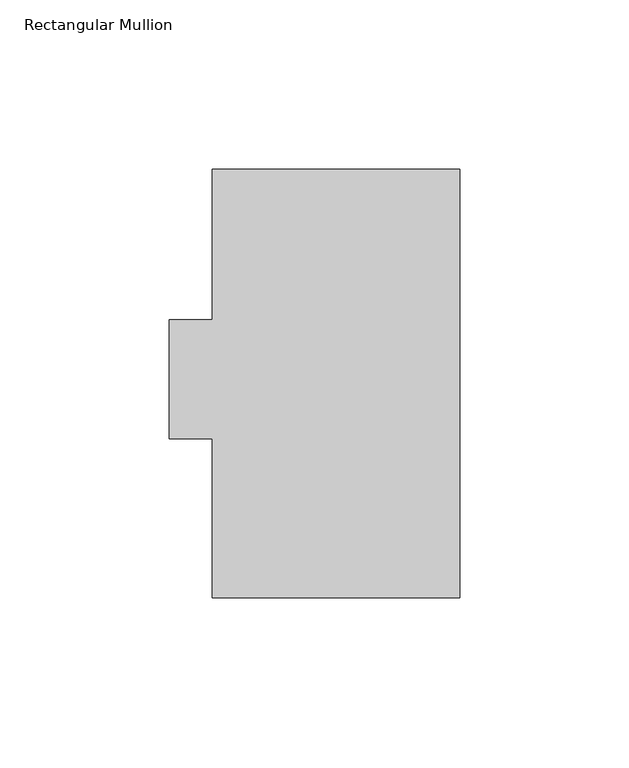
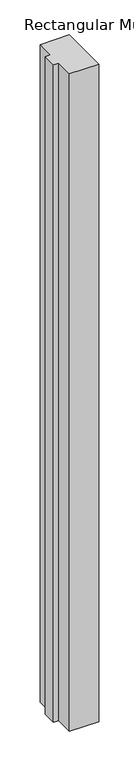
"""IFC4 building model written with IfcOpenShell, lengths in millimetres: member geometry, Rectangular Mullion."""

import ifcopenshell
import ifcopenshell.guid

model = None  # the IFC model being written
_history = None  # IfcOwnerHistory: only IFC2X3 demands one
_inside = {}  # id of a spatial element -> (the spatial element, [elements in it])
_under = {}  # id of a project, library or spatial element -> (it, [spatial elements below it])
_declared = {}  # id of a project -> (the project, [libraries it declares])
_typed = {}  # id of a type object -> (the type object, [elements of that type])
_made_of = {}  # id of a material, layer set ... -> (it, [elements and type objects made of it])


def new_model(schema):
    """Start an empty IFC model of exactly this schema.

    Asked for "IFC4X3", IfcOpenShell would pick the latest addendum, in which some entities
    have other attributes; the version numbers below select the first issue.
    IFC2X3 requires an IfcOwnerHistory on every rooted entity: one is made here for all.
    """
    global model, _history
    if schema == "IFC4X3":
        model = ifcopenshell.file(schema_version=(4, 3, 0, 0))
    else:
        model = ifcopenshell.file(schema=schema)
    _inside.clear()
    _under.clear()
    _declared.clear()
    _typed.clear()
    _made_of.clear()
    _history = None
    if model.schema == "IFC2X3":
        org = make("IfcOrganization", Name="unknown")
        user = make(
            "IfcPersonAndOrganization",
            ThePerson=make("IfcPerson", FamilyName="unknown"),
            TheOrganization=org,
        )
        app = make(
            "IfcApplication",
            ApplicationDeveloper=org,
            Version="unknown",
            ApplicationFullName="unknown",
            ApplicationIdentifier="unknown",
        )
        _history = make(
            "IfcOwnerHistory",
            OwningUser=user,
            OwningApplication=app,
            ChangeAction="ADDED",
            CreationDate=0,
        )
    return model


def make(cls, **values):
    """One entity of the class cls with the attributes given. An attribute that is None is left unset."""
    return model.create_entity(
        cls, **{name: value for name, value in values.items() if value is not None}
    )


def rooted(cls, **values):
    """An entity with a GlobalId (a new one), such as an element, a storey or a relation."""
    return make(cls, GlobalId=ifcopenshell.guid.new(), OwnerHistory=_history, **values)


def si_unit(unit_type, name, prefix=None):
    """IfcSIUnit, for example si_unit("LENGTHUNIT", "METRE", prefix="MILLI")."""
    return make("IfcSIUnit", UnitType=unit_type, Prefix=prefix, Name=name)


def assignment(units):
    """IfcUnitAssignment: the units of a project."""
    return None if units is None else make("IfcUnitAssignment", Units=units)


def point(xyz):
    """IfcCartesianPoint."""
    return None if xyz is None else make("IfcCartesianPoint", Coordinates=xyz)


def direction(xyz):
    """IfcDirection."""
    return None if xyz is None else make("IfcDirection", DirectionRatios=xyz)


def frame(location, z_axis=None, x_axis=None):
    """IfcAxis2Placement3D, a coordinate frame: its origin and axes. An axis left out is left unset."""
    return make(
        "IfcAxis2Placement3D",
        Location=point(location),
        Axis=direction(z_axis),
        RefDirection=direction(x_axis),
    )


def origin():
    """The frame at (0, 0, 0) with its axes left unset."""
    return frame((0.0, 0.0, 0.0))


def place(relative_to, where):
    """IfcLocalPlacement: puts the frame where relative to a parent placement (None: the world)."""
    return make(
        "IfcLocalPlacement", PlacementRelTo=relative_to, RelativePlacement=where
    )


def context(
    kind, dimensions, precision=None, world=None, true_north=None, identifier=None
):
    """IfcGeometricRepresentationContext, for example the 3D "Model" context."""
    return make(
        "IfcGeometricRepresentationContext",
        ContextIdentifier=identifier,
        ContextType=kind,
        CoordinateSpaceDimension=dimensions,
        Precision=precision,
        WorldCoordinateSystem=world,
        TrueNorth=true_north,
    )


def project(units=None, contexts=None):
    """IfcProject with its units and contexts."""
    return rooted(
        "IfcProject",
        Name="project",
        RepresentationContexts=contexts,
        UnitsInContext=assignment(units),
    )


def spatial(cls, under=None, at=None, **own):
    """A site, building, storey or space (cls), placed at a placement, below another one or the project."""
    s = rooted(cls, ObjectPlacement=at, **own)
    if under is not None:
        _under.setdefault(under.id(), (under, []))[1].append(s)
    return s


def polyline(points):
    """IfcPolyline through the points."""
    return make("IfcPolyline", Points=[point(p) for p in points])


def outline(outer, holes=None, kind="AREA"):
    """IfcArbitraryClosedProfileDef: a profile drawn as a closed curve; with holes, ...WithVoids."""
    if holes is None:
        return make("IfcArbitraryClosedProfileDef", ProfileType=kind, OuterCurve=outer)
    return make(
        "IfcArbitraryProfileDefWithVoids",
        ProfileType=kind,
        OuterCurve=outer,
        InnerCurves=holes,
    )


def extrude(swept, where, along, depth):
    """IfcExtrudedAreaSolid: the profile swept, set in the frame where, extruded along a direction by depth."""
    return make(
        "IfcExtrudedAreaSolid",
        SweptArea=swept,
        Position=where,
        ExtrudedDirection=direction(along),
        Depth=depth,
    )


def shape(context_of_items, identifier, shape_type, items):
    """IfcShapeRepresentation: the items that make up one representation, for example the "Body"."""
    return make(
        "IfcShapeRepresentation",
        ContextOfItems=context_of_items,
        RepresentationIdentifier=identifier,
        RepresentationType=shape_type,
        Items=items,
    )


def source(mapping_origin, context_of_items, identifier, shape_type, items):
    """IfcRepresentationMap: a shape defined once, which mapped items show again and again."""
    return make(
        "IfcRepresentationMap",
        MappingOrigin=mapping_origin,
        MappedRepresentation=shape(context_of_items, identifier, shape_type, items),
    )


def transform(
    local_origin,
    x_axis=None,
    y_axis=None,
    z_axis=None,
    scale=None,
    scale2=None,
    scale3=None,
    uniform=True,
):
    """IfcCartesianTransformationOperator3D, or its non-uniform kind. x_axis, y_axis, z_axis: its Axis1, 2, 3."""
    if uniform:
        return make(
            "IfcCartesianTransformationOperator3D",
            Axis1=direction(x_axis),
            Axis2=direction(y_axis),
            LocalOrigin=point(local_origin),
            Scale=scale,
            Axis3=direction(z_axis),
        )
    return make(
        "IfcCartesianTransformationOperator3DnonUniform",
        Axis1=direction(x_axis),
        Axis2=direction(y_axis),
        LocalOrigin=point(local_origin),
        Scale=scale,
        Axis3=direction(z_axis),
        Scale2=scale2,
        Scale3=scale3,
    )


def mapped(mapping_source, mapping_target):
    """IfcMappedItem: shows the shape of a source again, moved by a transform."""
    return make(
        "IfcMappedItem", MappingSource=mapping_source, MappingTarget=mapping_target
    )


def made_of(thing, what):
    """Note that an element or type object is made of a material, layer set ...; save() writes the relation."""
    if what is not None:
        _made_of.setdefault(what.id(), (what, []))[1].append(thing)
    return thing


def element(
    cls,
    number,
    at=None,
    inside=None,
    cuts=None,
    type_object=None,
    material=None,
    context=None,
    identifier="Body",
    shape_type=None,
    held_by="IfcProductDefinitionShape",
    body=None,
    shapes=None,
    **own,
):
    """One element of the class cls, such as IfcWall. Its Tag is "e" and its number.

    at: its placement. inside: the storey or other place that contains it. cuts: it is an
    opening in that element (IfcRelVoidsElement). A single representation is given by context,
    identifier, shape_type and body (its items); several are given by shapes. held_by: the class
    of the entity that holds the representations. save() writes the other relations.
    """
    e = rooted(cls, Tag="e%d" % number, ObjectPlacement=at, **own)
    if body is not None:
        shapes = [shape(context, identifier, shape_type, body)]
    if shapes is not None:
        e.Representation = make(held_by, Representations=shapes)
    if inside is not None:
        _inside.setdefault(inside.id(), (inside, []))[1].append(e)
    if cuts is not None:
        rooted(
            "IfcRelVoidsElement", RelatingBuildingElement=cuts, RelatedOpeningElement=e
        )
    if type_object is not None:
        _typed.setdefault(type_object.id(), (type_object, []))[1].append(e)
    return made_of(e, material)


def aggregate(whole, parts):
    """IfcRelAggregates: a whole, such as a stair, and the parts it consists of."""
    return rooted("IfcRelAggregates", RelatingObject=whole, RelatedObjects=parts)


def save(model, path):
    """Write the relations noted so far, then the file.

    IfcRelAggregates (storeys below a building ...), IfcRelContainedInSpatialStructure (elements
    in a storey), IfcRelDefinesByType, IfcRelAssociatesMaterial and IfcRelDeclares: one each for
    every whole, place, type object, material and project.
    """
    for whole, parts in _under.values():
        aggregate(whole, parts)
    for where, things in _inside.values():
        rooted(
            "IfcRelContainedInSpatialStructure",
            RelatedElements=things,
            RelatingStructure=where,
        )
    for kind, things in _typed.values():
        rooted("IfcRelDefinesByType", RelatedObjects=things, RelatingType=kind)
    for what, things in _made_of.values():
        rooted("IfcRelAssociatesMaterial", RelatedObjects=things, RelatingMaterial=what)
    for by, libraries in _declared.values():
        rooted("IfcRelDeclares", RelatingContext=by, RelatedDefinitions=libraries)
    model.write(path)


def rectangular_mullion_a1dcfa8e(model_context):
    return source(origin(), model_context, "Body", "SweptSolid", [
        extrude(outline(polyline([(-73.025, 126.46025), (0.0, 126.46025), (0.0, -0.03175), (-73.025, -0.03175), (-73.025, 46.83125), (-85.725, 46.83125), (-85.725, 82.01025), (-73.025, 82.01025), (-73.025, 126.46025)])), frame((0.0, 0.0, -1727.1994574), z_axis=(0.0, 0.0, 1.0), x_axis=(1.0, 0.0, 0.0)), (0.0, 0.0, 1.0), 1727.1994574),
    ])


if __name__ == "__main__":
    model = new_model("IFC4")
    model_context = context("Model", 3, world=origin())
    ifc_project = project(units=[si_unit("LENGTHUNIT", "METRE", prefix="MILLI")], contexts=[model_context])
    site = spatial("IfcSite", under=ifc_project)
    building = spatial("IfcBuilding", under=site)
    placement = place(None, origin())
    rectangular_mullion_shape = rectangular_mullion_a1dcfa8e(model_context)
    element("IfcMember", 1, ObjectType="Rectangular Mullion", at=placement, inside=building, context=model_context, shape_type="MappedRepresentation", body=[
        mapped(rectangular_mullion_shape, transform((0.0, 0.0, 0.0), x_axis=(1.0, 0.0, 0.0), y_axis=(0.0, 1.0, 0.0), z_axis=(0.0, 0.0, 1.0))),
    ])
    save(model, "model.ifc")
